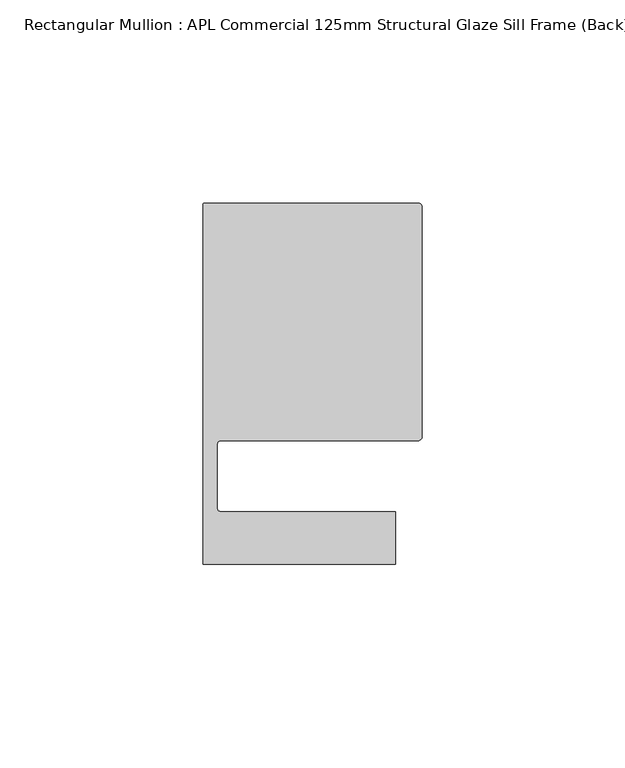
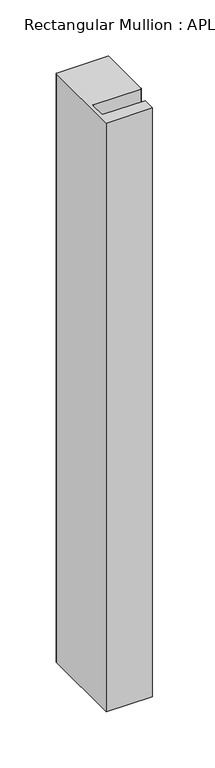
"""IFC4 building model written with IfcOpenShell, lengths in millimetres: member geometry, Rectangular Mullion : APL Commercial 125mm Structural Glaze Sill Frame (Back)."""

import ifcopenshell
import ifcopenshell.guid

model = None  # the IFC model being written
_history = None  # IfcOwnerHistory: only IFC2X3 demands one
_inside = {}  # id of a spatial element -> (the spatial element, [elements in it])
_under = {}  # id of a project, library or spatial element -> (it, [spatial elements below it])
_declared = {}  # id of a project -> (the project, [libraries it declares])
_typed = {}  # id of a type object -> (the type object, [elements of that type])
_made_of = {}  # id of a material, layer set ... -> (it, [elements and type objects made of it])


def new_model(schema):
    """Start an empty IFC model of exactly this schema.

    Asked for "IFC4X3", IfcOpenShell would pick the latest addendum, in which some entities
    have other attributes; the version numbers below select the first issue.
    IFC2X3 requires an IfcOwnerHistory on every rooted entity: one is made here for all.
    """
    global model, _history
    if schema == "IFC4X3":
        model = ifcopenshell.file(schema_version=(4, 3, 0, 0))
    else:
        model = ifcopenshell.file(schema=schema)
    _inside.clear()
    _under.clear()
    _declared.clear()
    _typed.clear()
    _made_of.clear()
    _history = None
    if model.schema == "IFC2X3":
        org = make("IfcOrganization", Name="unknown")
        user = make(
            "IfcPersonAndOrganization",
            ThePerson=make("IfcPerson", FamilyName="unknown"),
            TheOrganization=org,
        )
        app = make(
            "IfcApplication",
            ApplicationDeveloper=org,
            Version="unknown",
            ApplicationFullName="unknown",
            ApplicationIdentifier="unknown",
        )
        _history = make(
            "IfcOwnerHistory",
            OwningUser=user,
            OwningApplication=app,
            ChangeAction="ADDED",
            CreationDate=0,
        )
    return model


def make(cls, **values):
    """One entity of the class cls with the attributes given. An attribute that is None is left unset."""
    return model.create_entity(
        cls, **{name: value for name, value in values.items() if value is not None}
    )


def rooted(cls, **values):
    """An entity with a GlobalId (a new one), such as an element, a storey or a relation."""
    return make(cls, GlobalId=ifcopenshell.guid.new(), OwnerHistory=_history, **values)


def si_unit(unit_type, name, prefix=None):
    """IfcSIUnit, for example si_unit("LENGTHUNIT", "METRE", prefix="MILLI")."""
    return make("IfcSIUnit", UnitType=unit_type, Prefix=prefix, Name=name)


def assignment(units):
    """IfcUnitAssignment: the units of a project."""
    return None if units is None else make("IfcUnitAssignment", Units=units)


def point(xyz):
    """IfcCartesianPoint."""
    return None if xyz is None else make("IfcCartesianPoint", Coordinates=xyz)


def direction(xyz):
    """IfcDirection."""
    return None if xyz is None else make("IfcDirection", DirectionRatios=xyz)


def frame(location, z_axis=None, x_axis=None):
    """IfcAxis2Placement3D, a coordinate frame: its origin and axes. An axis left out is left unset."""
    return make(
        "IfcAxis2Placement3D",
        Location=point(location),
        Axis=direction(z_axis),
        RefDirection=direction(x_axis),
    )


def origin():
    """The frame at (0, 0, 0) with its axes left unset."""
    return frame((0.0, 0.0, 0.0))


def place(relative_to, where):
    """IfcLocalPlacement: puts the frame where relative to a parent placement (None: the world)."""
    return make(
        "IfcLocalPlacement", PlacementRelTo=relative_to, RelativePlacement=where
    )


def context(
    kind, dimensions, precision=None, world=None, true_north=None, identifier=None
):
    """IfcGeometricRepresentationContext, for example the 3D "Model" context."""
    return make(
        "IfcGeometricRepresentationContext",
        ContextIdentifier=identifier,
        ContextType=kind,
        CoordinateSpaceDimension=dimensions,
        Precision=precision,
        WorldCoordinateSystem=world,
        TrueNorth=true_north,
    )


def project(units=None, contexts=None):
    """IfcProject with its units and contexts."""
    return rooted(
        "IfcProject",
        Name="project",
        RepresentationContexts=contexts,
        UnitsInContext=assignment(units),
    )


def spatial(cls, under=None, at=None, **own):
    """A site, building, storey or space (cls), placed at a placement, below another one or the project."""
    s = rooted(cls, ObjectPlacement=at, **own)
    if under is not None:
        _under.setdefault(under.id(), (under, []))[1].append(s)
    return s


def polyline(points):
    """IfcPolyline through the points."""
    return make("IfcPolyline", Points=[point(p) for p in points])


def circle_curve(where, radius):
    """IfcCircle in the frame where."""
    return make("IfcCircle", Position=where, Radius=radius)


def shape(context_of_items, identifier, shape_type, items):
    """IfcShapeRepresentation: the items that make up one representation, for example the "Body"."""
    return make(
        "IfcShapeRepresentation",
        ContextOfItems=context_of_items,
        RepresentationIdentifier=identifier,
        RepresentationType=shape_type,
        Items=items,
    )


def source(mapping_origin, context_of_items, identifier, shape_type, items):
    """IfcRepresentationMap: a shape defined once, which mapped items show again and again."""
    return make(
        "IfcRepresentationMap",
        MappingOrigin=mapping_origin,
        MappedRepresentation=shape(context_of_items, identifier, shape_type, items),
    )


def transform(
    local_origin,
    x_axis=None,
    y_axis=None,
    z_axis=None,
    scale=None,
    scale2=None,
    scale3=None,
    uniform=True,
):
    """IfcCartesianTransformationOperator3D, or its non-uniform kind. x_axis, y_axis, z_axis: its Axis1, 2, 3."""
    if uniform:
        return make(
            "IfcCartesianTransformationOperator3D",
            Axis1=direction(x_axis),
            Axis2=direction(y_axis),
            LocalOrigin=point(local_origin),
            Scale=scale,
            Axis3=direction(z_axis),
        )
    return make(
        "IfcCartesianTransformationOperator3DnonUniform",
        Axis1=direction(x_axis),
        Axis2=direction(y_axis),
        LocalOrigin=point(local_origin),
        Scale=scale,
        Axis3=direction(z_axis),
        Scale2=scale2,
        Scale3=scale3,
    )


def mapped(mapping_source, mapping_target):
    """IfcMappedItem: shows the shape of a source again, moved by a transform."""
    return make(
        "IfcMappedItem", MappingSource=mapping_source, MappingTarget=mapping_target
    )


def made_of(thing, what):
    """Note that an element or type object is made of a material, layer set ...; save() writes the relation."""
    if what is not None:
        _made_of.setdefault(what.id(), (what, []))[1].append(thing)
    return thing


def element(
    cls,
    number,
    at=None,
    inside=None,
    cuts=None,
    type_object=None,
    material=None,
    context=None,
    identifier="Body",
    shape_type=None,
    held_by="IfcProductDefinitionShape",
    body=None,
    shapes=None,
    **own,
):
    """One element of the class cls, such as IfcWall. Its Tag is "e" and its number.

    at: its placement. inside: the storey or other place that contains it. cuts: it is an
    opening in that element (IfcRelVoidsElement). A single representation is given by context,
    identifier, shape_type and body (its items); several are given by shapes. held_by: the class
    of the entity that holds the representations. save() writes the other relations.
    """
    e = rooted(cls, Tag="e%d" % number, ObjectPlacement=at, **own)
    if body is not None:
        shapes = [shape(context, identifier, shape_type, body)]
    if shapes is not None:
        e.Representation = make(held_by, Representations=shapes)
    if inside is not None:
        _inside.setdefault(inside.id(), (inside, []))[1].append(e)
    if cuts is not None:
        rooted(
            "IfcRelVoidsElement", RelatingBuildingElement=cuts, RelatedOpeningElement=e
        )
    if type_object is not None:
        _typed.setdefault(type_object.id(), (type_object, []))[1].append(e)
    return made_of(e, material)


def aggregate(whole, parts):
    """IfcRelAggregates: a whole, such as a stair, and the parts it consists of."""
    return rooted("IfcRelAggregates", RelatingObject=whole, RelatedObjects=parts)


def save(model, path):
    """Write the relations noted so far, then the file.

    IfcRelAggregates (storeys below a building ...), IfcRelContainedInSpatialStructure (elements
    in a storey), IfcRelDefinesByType, IfcRelAssociatesMaterial and IfcRelDeclares: one each for
    every whole, place, type object, material and project.
    """
    for whole, parts in _under.values():
        aggregate(whole, parts)
    for where, things in _inside.values():
        rooted(
            "IfcRelContainedInSpatialStructure",
            RelatedElements=things,
            RelatingStructure=where,
        )
    for kind, things in _typed.values():
        rooted("IfcRelDefinesByType", RelatedObjects=things, RelatingType=kind)
    for what, things in _made_of.values():
        rooted("IfcRelAssociatesMaterial", RelatedObjects=things, RelatingMaterial=what)
    for by, libraries in _declared.values():
        rooted("IfcRelDeclares", RelatingContext=by, RelatedDefinitions=libraries)
    model.write(path)


def plane_surface(at):
    """IfcPlane: the flat surface through the origin of the frame at, square to its z axis."""
    return make("IfcPlane", Position=at)


def cylinder_surface(at, radius):
    """IfcCylindricalSurface: all points at the distance radius from the z axis of the frame at."""
    return make("IfcCylindricalSurface", Position=at, Radius=radius)


def revolved_surface(curve, axis_point, axis_direction):
    """IfcSurfaceOfRevolution: the curve turned about the line through axis_point along axis_direction."""
    return make(
        "IfcSurfaceOfRevolution",
        SweptCurve=make("IfcArbitraryOpenProfileDef", ProfileType="CURVE", Curve=curve),
        AxisPosition=make("IfcAxis1Placement", Location=point(axis_point), Axis=direction(axis_direction)),
    )


def advanced_brep(points, edges, surfaces, faces):
    """IfcAdvancedBrep: a solid bounded by faces that lie on surfaces and meet in shared edges.

    An edge is (start, end): straight between two places in points (the first is 0);
    or (start, end, curve); or (start, end, curve, False) where it runs against its curve.
    A face is (place in surfaces, loops), or (place, loops, False) where it looks against
    its surface's normal. A loop lists edges by number (the first is 1), with a minus sign
    where the edge is run from its end to its start. The first loop is the outer one.
    """
    corners = [point(p) for p in points]
    vertices = [make("IfcVertexPoint", VertexGeometry=c) for c in corners]
    made = []
    for start, end, *more in edges:
        made.append(
            make(
                "IfcEdgeCurve",
                EdgeStart=vertices[start],
                EdgeEnd=vertices[end],
                EdgeGeometry=more[0] if more else make("IfcPolyline", Points=[corners[start], corners[end]]),
                SameSense=more[1] if len(more) > 1 else True,
            )
        )
    hull = []
    for where, loops, *sense in faces:
        bounds = []
        for j, loop in enumerate(loops):
            ring = [make("IfcOrientedEdge", EdgeElement=made[abs(k) - 1], Orientation=k > 0) for k in loop]
            bounds.append(
                make(
                    "IfcFaceOuterBound" if j == 0 else "IfcFaceBound",
                    Bound=make("IfcEdgeLoop", EdgeList=ring),
                    Orientation=True,
                )
            )
        hull.append(make("IfcAdvancedFace", Bounds=bounds, FaceSurface=surfaces[where], SameSense=sense[0] if sense else True))
    return make("IfcAdvancedBrep", Outer=make("IfcClosedShell", CfsFaces=hull))


def rectangular_mullion_apl_commercial_125mm_structural_glaze_aae4397e(model_context):
    return source(origin(), model_context, "Body", "AdvancedBrep", [
        advanced_brep(
        [(-53.5000029, 104.0, 0.0), (-54.0000029, 103.5, 0.0), (-54.0000029, 15.0004332, 0.0), (-6.5000029, 15.0004332, 0.0), (-6.5000029, 28.0004332, 0.0), (-49.5000029, 28.0004332, 0.0), (-50.5000029, 29.0004332, 0.0), (-50.5000029, 44.5010268, 0.0), (-49.5000004, 45.5010268, 0.0), (-1.0, 45.5010268, 0.0), (0.0, 46.5010268, 0.0), (0.0, 103.0, 0.0), (-1.0000025, 104.0, 0.0), (-53.5000029, 104.0, -640.0000409), (-1.0000025, 104.0, -640.0000409), (-2.5e-06, 103.0, -640.0000409), (0.0, 46.5010268, -640.0000409), (-1.0, 45.5010268, -640.0000409), (-49.5000004, 45.5010268, -640.0000409), (-50.5000004, 44.5010268, -640.0000409), (-50.5000029, 29.0004332, -640.0000409), (-49.5000029, 28.0004332, -640.0000409), (-6.5000029, 28.0004332, -640.0000409), (-6.5000029, 15.0004332, -640.0000409), (-54.0000029, 15.0004332, -640.0000409), (-54.0000029, 103.5, -640.0000409)],
        [
            (0, 1, circle_curve(frame((-53.5000029, 103.5, 0.0), z_axis=(0.0, 0.0, 1.0), x_axis=(0.0, 1.0, 0.0)), 0.5)),
            (1, 2),
            (2, 3),
            (3, 4),
            (4, 5),
            (5, 6, circle_curve(frame((-49.5000029, 29.0004332, 0.0), z_axis=(0.0, 0.0, -1.0), x_axis=(0.0, -1.0, 0.0)), 1.0)),
            (6, 7),
            (7, 8, circle_curve(frame((-49.5000004, 44.5010268, 0.0), z_axis=(0.0, 0.0, -1.0), x_axis=(-0.9999999999998819, 4.863123717036027e-07, 0.0)), 1.0)),
            (8, 9),
            (9, 10, circle_curve(frame((-1.0, 46.5010268, 0.0), z_axis=(0.0, 0.0, 1.0), x_axis=(0.0, -1.0, 0.0)), 1.0)),
            (10, 11),
            (11, 12, circle_curve(frame((-1.0000025, 103.0, 0.0), z_axis=(0.0, 0.0, 1.0), x_axis=(0.9999999999996143, 8.78371761103865e-07, 0.0)), 1.0)),
            (12, 0),
            (13, 14),
            (14, 15, circle_curve(frame((-1.0000025, 103.0, -640.0000409), z_axis=(0.0, 0.0, -1.0), x_axis=(0.9999999999996143, 8.78371761103865e-07, 0.0)), 1.0)),
            (15, 16),
            (16, 17, circle_curve(frame((-1.0, 46.5010268, -640.0000409), z_axis=(0.0, 0.0, -1.0), x_axis=(0.0, -1.0, 0.0)), 1.0)),
            (17, 18),
            (18, 19, circle_curve(frame((-49.5000004, 44.5010268, -640.0000409), z_axis=(0.0, 0.0, 1.0), x_axis=(-0.9999999999998819, 4.863123717036027e-07, 0.0)), 1.0)),
            (19, 20),
            (20, 21, circle_curve(frame((-49.5000029, 29.0004332, -640.0000409), z_axis=(0.0, 0.0, 1.0), x_axis=(0.0, -1.0, 0.0)), 1.0)),
            (21, 22),
            (22, 23),
            (23, 24),
            (24, 25),
            (25, 13, circle_curve(frame((-53.5000029, 103.5, -640.0000409), z_axis=(0.0, 0.0, -1.0), x_axis=(0.0, 1.0, 0.0)), 0.5)),
            (0, 13),
            (25, 1),
            (24, 2),
            (23, 3),
            (22, 4),
            (21, 5),
            (20, 6),
            (19, 7),
            (18, 8),
            (17, 9),
            (16, 10),
            (15, 11),
            (14, 12),
        ],
        [
            plane_surface(frame((0.0, -116.986179, 0.0), z_axis=(0.0, 0.0, 1.0), x_axis=(-1.0, 0.0, 0.0))),
            plane_surface(frame((0.0, -116.986179, -640.0000409), z_axis=(0.0, 0.0, -1.0), x_axis=(-1.0, 0.0, 0.0))),
            cylinder_surface(frame((-53.5000029, 103.5, 0.0), z_axis=(0.0, 0.0, 1.0), x_axis=(0.0, 1.0, 0.0)), 0.5),
            plane_surface(frame((-54.0000029, 103.5, 0.0), z_axis=(-1.0, 0.0, 0.0), x_axis=(0.0, 0.0, -1.0))),
            plane_surface(frame((-54.0000029, 15.0004332, 0.0), z_axis=(0.0, -1.0, 0.0), x_axis=(0.0, 0.0, -1.0))),
            plane_surface(frame((-6.5000029, 15.0004332, 0.0), z_axis=(1.0, 0.0, 0.0), x_axis=(0.0, 0.0, -1.0))),
            plane_surface(frame((-6.5000029, 28.0004332, 0.0), z_axis=(0.0, 1.0, 0.0), x_axis=(0.0, 0.0, -1.0))),
            revolved_surface(polyline([(-49.5000029, 28.0004332, -640.0000409), (-49.5000029, 28.0004332, 0.0)]), (-49.5000029, 29.0004332, 0.0), (0.0, 0.0, -1.0)),
            plane_surface(frame((-50.5000029, 29.0004332, 0.0), z_axis=(1.0, 0.0, 0.0), x_axis=(0.0, 0.0, -1.0))),
            revolved_surface(polyline([(-50.50000039999988, 44.50102728631237, -640.0000409000003), (-50.50000039999988, 44.50102728631237, 0.0)]), (-49.5000004, 44.5010268, 0.0), (0.0, 0.0, -1.0000000000000002)),
            plane_surface(frame((-49.5000004, 45.5010268, 0.0), z_axis=(0.0, -1.0, 0.0), x_axis=(0.0, 0.0, -1.0))),
            cylinder_surface(frame((-1.0, 46.5010268, 0.0), z_axis=(0.0, 0.0, 1.0), x_axis=(0.0, -1.0, 0.0)), 1.0),
            plane_surface(frame((0.0, 46.5010268, 0.0), z_axis=(1.0, 0.0, 0.0), x_axis=(0.0, 0.0, -1.0))),
            cylinder_surface(frame((-1.0000025, 103.0, 0.0), z_axis=(0.0, 0.0, 1.0000000000000002), x_axis=(0.9999999999996143, 8.78371761103865e-07, 0.0)), 1.0),
            plane_surface(frame((-1.0000025, 104.0, 0.0), z_axis=(0.0, 1.0, 0.0), x_axis=(0.0, 0.0, -1.0))),
        ],
        [
            (0, [[1, 2, 3, 4, 5, 6, 7, 8, 9, 10, 11, 12, 13]]),
            (1, [[14, 15, 16, 17, 18, 19, 20, 21, 22, 23, 24, 25, 26]]),
            (2, [[-1, 27, -26, 28]]),
            (3, [[-2, -28, -25, 29]]),
            (4, [[-3, -29, -24, 30]]),
            (5, [[-4, -30, -23, 31]]),
            (6, [[-5, -31, -22, 32]]),
            (7, [[-6, -32, -21, 33]]),
            (8, [[-7, -33, -20, 34]]),
            (9, [[-8, -34, -19, 35]]),
            (10, [[-9, -35, -18, 36]]),
            (11, [[-10, -36, -17, 37]]),
            (12, [[-11, -37, -16, 38]]),
            (13, [[-12, -38, -15, 39]]),
            (14, [[-13, -39, -14, -27]]),
        ],
    ),
    ])


if __name__ == "__main__":
    model = new_model("IFC4")
    model_context = context("Model", 3, world=origin())
    ifc_project = project(units=[si_unit("LENGTHUNIT", "METRE", prefix="MILLI")], contexts=[model_context])
    site = spatial("IfcSite", under=ifc_project)
    building = spatial("IfcBuilding", under=site)
    placement = place(None, origin())
    rectangular_mullion_apl_commercial_125mm_structural_glaze_shape = rectangular_mullion_apl_commercial_125mm_structural_glaze_aae4397e(model_context)
    element("IfcMember", 1, ObjectType="Rectangular Mullion : APL Commercial 125mm Structural Glaze Sill Frame (Back)", at=placement, inside=building, context=model_context, shape_type="MappedRepresentation", body=[
        mapped(rectangular_mullion_apl_commercial_125mm_structural_glaze_shape, transform((0.0, 0.0, 0.0), x_axis=(1.0, 0.0, 0.0), y_axis=(0.0, 1.0, 0.0), z_axis=(0.0, 0.0, 1.0))),
    ])
    save(model, "model.ifc")
